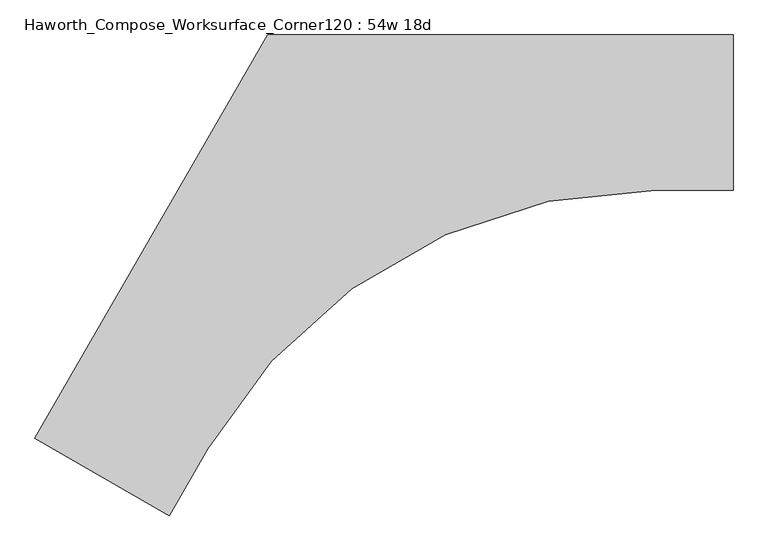
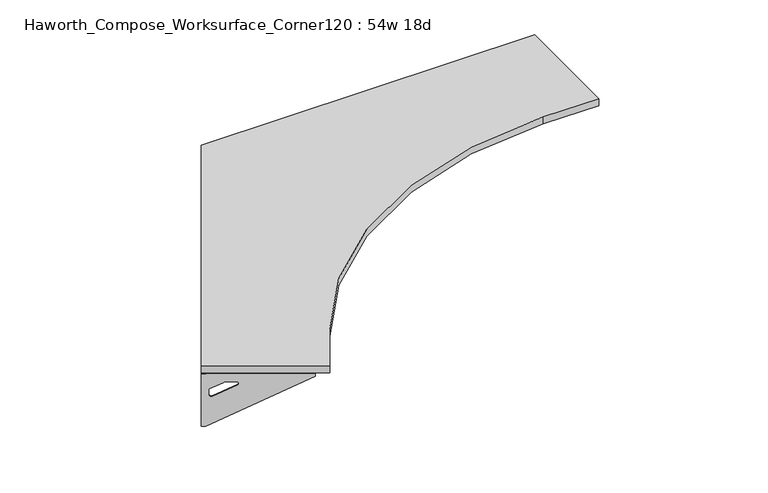
"""IFC4 building model written with IfcOpenShell, lengths in millimetres: furniture geometry, Haworth_Compose_Worksurface_Corner120 : 54w 18d."""

from ifc_helpers import new_model, si_unit, point, frame, frame_2d, origin, place, context, project, spatial, polyline, circle_curve, trimmed, segment, composite_curve, outline, extrude, source, transform, mapped, element, save
from ifc_brep_helpers import plane_surface, revolved_surface, advanced_brep


def haworth_compose_worksurface_corner120_54w_18d_a9862cec(model_context):
    return source(origin(), model_context, "Body", "SolidModel", [
        advanced_brep(
        [(607.21875, 304.8, 473.86875), (607.21875, 288.925, 473.86875), (607.21875, -101.6, 690.1317568), (607.21875, -101.6, 702.46875), (607.21875, 288.925, 702.46875), (607.21875, 304.8, 702.46875), (607.21875, 221.490072, 664.36875), (607.21875, 177.8355284, 664.36875), (607.21875, 175.1564235, 654.7830539), (607.21875, 266.8776173, 603.9901439), (607.21875, 276.225, 609.5881969), (607.21875, 276.225, 633.0985246), (607.21875, 274.4730055, 635.9367776), (607.21875, 224.5663437, 663.5738425), (609.6, 304.8, 473.86875), (609.6, 304.8, 702.46875), (609.6, 288.925, 702.46875), (609.6, 288.925, 704.85), (609.6, -101.6, 704.85), (609.6, -101.6, 690.1317568), (609.6, 288.925, 473.86875), (609.6, 221.490072, 664.36875), (609.6, 224.5663437, 663.5738425), (609.6, 274.4730055, 635.9367776), (609.6, 276.225, 633.0985246), (609.6, 276.225, 609.5881969), (609.6, 266.8776173, 603.9901439), (609.6, 175.1564235, 654.7830539), (609.6, 177.8355284, 664.36875), (568.325, -101.6, 704.85), (568.325, -101.6, 702.46875), (568.325, 288.925, 702.46875), (568.325, 288.925, 704.85)],
        [
            (0, 1),
            (1, 2),
            (2, 3),
            (3, 4),
            (4, 5),
            (5, 0),
            (6, 7),
            (7, 8, circle_curve(frame((607.21875, 177.8355284, 659.2015106), z_axis=(1.0, 0.0, 0.0), x_axis=(0.0, -1.0, 0.0)), 5.1672394)),
            (8, 9),
            (9, 10, circle_curve(frame((607.21875, 269.875, 609.5881969), z_axis=(1.0, 0.0, 0.0), x_axis=(0.0, -1.0, 0.0)), 6.35)),
            (10, 11),
            (11, 12, circle_curve(frame((607.21875, 273.05, 633.0985246), z_axis=(1.0, 0.0, 0.0), x_axis=(0.0, -1.0, 0.0)), 3.175)),
            (12, 13),
            (13, 6, circle_curve(frame((607.21875, 221.490072, 658.01875), z_axis=(1.0, 0.0, 0.0), x_axis=(0.0, -1.0, 0.0)), 6.35)),
            (14, 15),
            (15, 16),
            (16, 17),
            (17, 18),
            (18, 19),
            (19, 20),
            (20, 14),
            (21, 22, circle_curve(frame((609.6, 221.490072, 658.01875), z_axis=(-1.0, 0.0, 0.0), x_axis=(0.0, -1.0, 0.0)), 6.35)),
            (22, 23),
            (23, 24, circle_curve(frame((609.6, 273.05, 633.0985246), z_axis=(-1.0, 0.0, 0.0), x_axis=(0.0, -1.0, 0.0)), 3.175)),
            (24, 25),
            (25, 26, circle_curve(frame((609.6, 269.875, 609.5881969), z_axis=(-1.0, 0.0, 0.0), x_axis=(0.0, -1.0, 0.0)), 6.35)),
            (26, 27),
            (27, 28, circle_curve(frame((609.6, 177.8355284, 659.2015106), z_axis=(-1.0, 0.0, 0.0), x_axis=(0.0, -1.0, 0.0)), 5.1672394)),
            (28, 21),
            (4, 16),
            (15, 5),
            (14, 0),
            (20, 1),
            (19, 2),
            (18, 29),
            (29, 30),
            (30, 3),
            (6, 21),
            (28, 7),
            (9, 26),
            (25, 10),
            (24, 11),
            (23, 12),
            (27, 8),
            (31, 4),
            (30, 31),
            (32, 29),
            (17, 32),
            (31, 32),
            (22, 13),
        ],
        [
            plane_surface(frame((607.21875, 304.8, 473.86875), z_axis=(-1.0, 0.0, 0.0), x_axis=(0.0, 1.0, 0.0))),
            plane_surface(frame((609.6, 304.8, 473.86875), z_axis=(1.0, 0.0, 0.0), x_axis=(0.0, -1.0, 0.0))),
            plane_surface(frame((609.6, -101.6, 702.46875), z_axis=(0.0, 0.0, 1.0), x_axis=(-1.0, 0.0, 0.0))),
            plane_surface(frame((609.6, 304.8, 702.46875), z_axis=(0.0, 1.0, 0.0), x_axis=(-1.0, 0.0, 0.0))),
            plane_surface(frame((609.6, 304.8, 473.86875), z_axis=(0.0, 0.0, -1.0), x_axis=(-1.0, 0.0, 0.0))),
            plane_surface(frame((609.6, 288.925, 473.86875), z_axis=(0.0, -0.4844522351345575, -0.8748177135112957), x_axis=(-1.0, 0.0, 0.0))),
            plane_surface(frame((609.6, -101.6, 690.1317568), z_axis=(0.0, -1.0, 0.0), x_axis=(-1.0, 0.0, 0.0))),
            plane_surface(frame((609.6, 221.490072, 664.36875), z_axis=(0.0, 0.0, -1.0), x_axis=(-1.0, 0.0, 0.0))),
            revolved_surface(polyline([(607.21875, 263.525, 609.5881969), (609.6, 263.525, 609.5881969)]), (609.6, 269.875, 609.5881969), (-1.0, 0.0, 0.0)),
            plane_surface(frame((609.6, 276.225, 609.5881969), z_axis=(0.0, -1.0, 0.0), x_axis=(-1.0, 0.0, 0.0))),
            revolved_surface(polyline([(607.21875, 269.875, 633.0985246), (609.6, 269.875, 633.0985246)]), (609.6, 273.05, 633.0985246), (-1.0, 0.0, 0.0)),
            revolved_surface(polyline([(607.21875, 172.668289, 659.2015106), (609.6, 172.668289, 659.2015106)]), (609.6, 177.8355284, 659.2015106), (-1.0, 0.0, 0.0)),
            plane_surface(frame((609.6, 288.925, 702.46875), z_axis=(0.0, 0.0, -1.0), x_axis=(-1.0, 0.0, 0.0))),
            plane_surface(frame((609.6, 288.925, 704.85), z_axis=(0.0, 0.0, 1.0), x_axis=(1.0, 0.0, 0.0))),
            plane_surface(frame((568.325, 288.925, 704.85), z_axis=(0.0, 1.0, 0.0), x_axis=(0.0, 0.0, -1.0))),
            plane_surface(frame((568.325, -101.6, 704.85), z_axis=(-1.0, 0.0, 0.0), x_axis=(0.0, 0.0, -1.0))),
            plane_surface(frame((609.6, 175.1564235, 654.7830539), z_axis=(0.0, 0.4844522351341526, 0.8748177135115199), x_axis=(-1.0, 0.0, 0.0))),
            plane_surface(frame((609.6, 274.4730055, 635.9367776), z_axis=(0.0, -0.48445223513456226, -0.874817713511293), x_axis=(-1.0, 0.0, 0.0))),
            revolved_surface(polyline([(607.21875, 215.140072, 658.01875), (609.6, 215.140072, 658.01875)]), (609.6, 221.490072, 658.01875), (-1.0, 0.0, 0.0)),
        ],
        [
            (0, [[1, 2, 3, 4, 5, 6], [7, 8, 9, 10, 11, 12, 13, 14]]),
            (1, [[15, 16, 17, 18, 19, 20, 21], [22, 23, 24, 25, 26, 27, 28, 29]]),
            (2, [[-5, 30, -16, 31]]),
            (3, [[-31, -15, 32, -6]]),
            (4, [[-32, -21, 33, -1]]),
            (5, [[-33, -20, 34, -2]]),
            (6, [[-34, -19, 35, 36, 37, -3]]),
            (7, [[38, -29, 39, -7]]),
            (8, [[40, -26, 41, -10]]),
            (9, [[-41, -25, 42, -11]]),
            (10, [[-42, -24, 43, -12]]),
            (11, [[-39, -28, 44, -8]]),
            (12, [[45, -4, -37, 46]]),
            (13, [[47, -35, -18, 48]]),
            (14, [[-17, -30, -45, 49, -48]]),
            (15, [[-36, -47, -49, -46]]),
            (16, [[-44, -27, -40, -9]]),
            (17, [[-43, -23, 50, -13]]),
            (18, [[-50, -22, -38, -14]]),
        ],
    ),
        advanced_brep(
        [(-1446.609375, -880.9782208, 473.86875), (-1446.609375, -880.9782208, 702.46875), (-1432.8612217, -888.9157208, 702.46875), (-1094.6566509, -1084.1782208, 702.46875), (-1094.6566509, -1084.1782208, 690.1317568), (-1432.8612217, -888.9157208, 473.86875), (-1374.460861, -922.6331848, 664.36875), (-1377.1249904, -921.095049, 663.5738425), (-1420.3454274, -896.1417181, 635.9367776), (-1421.8626991, -895.2657208, 633.0985246), (-1421.8626991, -895.2657208, 609.5881969), (-1413.7676282, -899.9394122, 603.9901439), (-1334.3347443, -945.8000091, 654.7830539), (-1336.6549172, -944.4604566, 664.36875), (-1447.8, -883.0404438, 473.86875), (-1434.0518467, -890.9779438, 473.86875), (-1095.8472759, -1086.2404438, 690.1317568), (-1095.8472759, -1086.2404438, 704.85), (-1434.0518467, -890.9779438, 704.85), (-1434.0518467, -890.9779438, 702.46875), (-1447.8, -883.0404438, 702.46875), (-1375.651486, -924.6954078, 664.36875), (-1337.8455422, -946.5226796, 664.36875), (-1335.5253693, -947.8622321, 654.7830539), (-1414.9582532, -902.0016352, 603.9901439), (-1423.0533241, -897.3279438, 609.5881969), (-1423.0533241, -897.3279438, 633.0985246), (-1421.5360524, -898.2039411, 635.9367776), (-1378.3156154, -923.157272, 663.5738425), (-1075.2097759, -1050.4952453, 702.46875), (-1075.2097759, -1050.4952453, 704.85), (-1413.4143467, -855.2327453, 702.46875), (-1413.4143467, -855.2327453, 704.85)],
        [
            (0, 1),
            (1, 2),
            (2, 3),
            (3, 4),
            (4, 5),
            (5, 0),
            (6, 7, circle_curve(frame((-1374.460861, -922.6331848, 658.01875), z_axis=(-0.5000000000000026, -0.8660254037844374, 0.0), x_axis=(0.8660254037844372, -0.5000000000000024, 0.0)), 6.35)),
            (7, 8),
            (8, 9, circle_curve(frame((-1419.1130684, -896.8532208, 633.0985246), z_axis=(-0.5000000000000026, -0.8660254037844374, 0.0), x_axis=(0.8660254037844372, -0.5000000000000024, 0.0)), 3.175)),
            (9, 10),
            (10, 11, circle_curve(frame((-1416.3634378, -898.4407208, 609.5881969), z_axis=(-0.5000000000000026, -0.8660254037844374, 0.0), x_axis=(0.8660254037844372, -0.5000000000000024, 0.0)), 6.35)),
            (11, 12),
            (12, 13, circle_curve(frame((-1336.6549172, -944.4604566, 659.2015106), z_axis=(-0.5000000000000026, -0.8660254037844374, 0.0), x_axis=(0.8660254037844372, -0.5000000000000024, 0.0)), 5.1672394)),
            (13, 6),
            (14, 15),
            (15, 16),
            (16, 17),
            (17, 18),
            (18, 19),
            (19, 20),
            (20, 14),
            (21, 22),
            (22, 23, circle_curve(frame((-1337.8455422, -946.5226796, 659.2015106), z_axis=(0.5000000000000026, 0.8660254037844374, 0.0), x_axis=(0.8660254037844372, -0.5000000000000024, 0.0)), 5.1672394)),
            (23, 24),
            (24, 25, circle_curve(frame((-1417.5540628, -900.5029438, 609.5881969), z_axis=(0.5000000000000026, 0.8660254037844374, 0.0), x_axis=(0.8660254037844372, -0.5000000000000024, 0.0)), 6.35)),
            (25, 26),
            (26, 27, circle_curve(frame((-1420.3036934, -898.9154438, 633.0985246), z_axis=(0.5000000000000026, 0.8660254037844374, 0.0), x_axis=(0.8660254037844372, -0.5000000000000024, 0.0)), 3.175)),
            (27, 28),
            (28, 21, circle_curve(frame((-1375.651486, -924.6954078, 658.01875), z_axis=(0.5000000000000026, 0.8660254037844374, 0.0), x_axis=(0.8660254037844372, -0.5000000000000024, 0.0)), 6.35)),
            (1, 20),
            (19, 2),
            (0, 14),
            (5, 15),
            (4, 16),
            (3, 29),
            (29, 30),
            (30, 17),
            (13, 22),
            (21, 6),
            (10, 25),
            (24, 11),
            (9, 26),
            (8, 27),
            (12, 23),
            (31, 29),
            (2, 31),
            (32, 18),
            (30, 32),
            (32, 31),
            (7, 28),
        ],
        [
            plane_surface(frame((-1446.609375, -880.9782208, 473.86875), z_axis=(0.5000000000000026, 0.8660254037844373, 0.0), x_axis=(-0.8660254037844373, 0.5000000000000026, 0.0))),
            plane_surface(frame((-1447.8, -883.0404438, 473.86875), z_axis=(-0.5000000000000026, -0.8660254037844373, 0.0), x_axis=(0.8660254037844373, -0.5000000000000026, 0.0))),
            plane_surface(frame((-1095.8472759, -1086.2404438, 702.46875), z_axis=(0.0, 0.0, 1.0), x_axis=(0.5000000000000011, 0.866025403784438, 0.0))),
            plane_surface(frame((-1447.8, -883.0404438, 702.46875), z_axis=(-0.866025403784438, 0.5000000000000011, 0.0), x_axis=(0.5000000000000011, 0.866025403784438, 0.0))),
            plane_surface(frame((-1447.8, -883.0404438, 473.86875), z_axis=(0.0, 0.0, -1.0), x_axis=(0.5000000000000011, 0.866025403784438, 0.0))),
            plane_surface(frame((-1434.0518467, -890.9779438, 473.86875), z_axis=(0.41954794254667943, -0.24222611756727808, -0.8748177135112957), x_axis=(0.5000000000000011, 0.866025403784438, 0.0))),
            plane_surface(frame((-1095.8472759, -1086.2404438, 690.1317568), z_axis=(0.866025403784438, -0.5000000000000011, 0.0), x_axis=(0.5000000000000011, 0.866025403784438, 0.0))),
            plane_surface(frame((-1375.651486, -924.6954078, 664.36875), z_axis=(0.0, 0.0, -1.0), x_axis=(0.5000000000000011, 0.866025403784438, 0.0))),
            revolved_surface(polyline([(-1410.864176479327, -901.615720795734, 609.5881969), (-1412.0548014983856, -903.6779438215062, 609.5881969)]), (-1417.5540628, -900.5029438, 609.5881969), (0.5000000000000024, 0.8660254037844372, 0.0)),
            plane_surface(frame((-1423.0533241, -897.3279438, 609.5881969), z_axis=(0.866025403784438, -0.5000000000000011, 0.0), x_axis=(0.5000000000000011, 0.866025403784438, 0.0))),
            revolved_surface(polyline([(-1416.36343773985, -898.4407208018096, 633.0985246), (-1417.5540627864536, -900.5029438752912, 633.0985246)]), (-1420.3036934, -898.9154438, 633.0985246), (0.5000000000000024, 0.8660254037844372, 0.0)),
            revolved_surface(polyline([(-1332.17995660903, -947.0440763018096, 659.2015106), (-1333.3705816345157, -949.1062993387139, 659.2015106)]), (-1337.8455422, -946.5226796, 659.2015106), (0.5000000000000024, 0.8660254037844372, 0.0)),
            plane_surface(frame((-1434.0518467, -890.9779438, 702.46875), z_axis=(0.0, 0.0, -1.0), x_axis=(0.5000000000000011, 0.866025403784438, 0.0))),
            plane_surface(frame((-1434.0518467, -890.9779438, 704.85), z_axis=(0.0, 0.0, 1.0), x_axis=(-0.5000000000000011, -0.866025403784438, 0.0))),
            plane_surface(frame((-1413.4143467, -855.2327453, 704.85), z_axis=(-0.866025403784438, 0.5000000000000011, 0.0), x_axis=(0.0, 0.0, -1.0))),
            plane_surface(frame((-1075.2097759, -1050.4952453, 704.85), z_axis=(0.5000000000000011, 0.866025403784438, 0.0), x_axis=(0.0, 0.0, -1.0))),
            plane_surface(frame((-1335.5253693, -947.8622321, 654.7830539), z_axis=(-0.41954794254632877, 0.24222611756707563, 0.87481771351152), x_axis=(0.5000000000000011, 0.866025403784438, 0.0))),
            plane_surface(frame((-1421.5360524, -898.2039411, 635.9367776), z_axis=(0.4195479425466836, -0.24222611756728046, -0.874817713511293), x_axis=(0.5000000000000011, 0.866025403784438, 0.0))),
            revolved_surface(polyline([(-1368.9615996828345, -925.8081848018096, 658.01875), (-1370.1522246973336, -927.8704078196846, 658.01875)]), (-1375.651486, -924.6954078, 658.01875), (0.5000000000000024, 0.8660254037844372, 0.0)),
        ],
        [
            (0, [[1, 2, 3, 4, 5, 6], [7, 8, 9, 10, 11, 12, 13, 14]]),
            (1, [[15, 16, 17, 18, 19, 20, 21], [22, 23, 24, 25, 26, 27, 28, 29]]),
            (2, [[30, -20, 31, -2]]),
            (3, [[-1, 32, -21, -30]]),
            (4, [[-6, 33, -15, -32]]),
            (5, [[-5, 34, -16, -33]]),
            (6, [[-4, 35, 36, 37, -17, -34]]),
            (7, [[-14, 38, -22, 39]]),
            (8, [[-11, 40, -25, 41]]),
            (9, [[-10, 42, -26, -40]]),
            (10, [[-9, 43, -27, -42]]),
            (11, [[-13, 44, -23, -38]]),
            (12, [[45, -35, -3, 46]]),
            (13, [[47, -18, -37, 48]]),
            (14, [[-47, 49, -46, -31, -19]]),
            (15, [[-45, -49, -48, -36]]),
            (16, [[-12, -41, -24, -44]]),
            (17, [[-8, 50, -28, -43]]),
            (18, [[-7, -39, -29, -50]]),
        ],
    ),
        extrude(outline(composite_curve([segment(polyline([(-1447.8, -883.0404438), (-762.0, 304.8), (609.6, 304.8), (609.6, -152.4), (381.8463533, -152.4)]), True, "CONTINUOUS"), segment(trimmed(circle_curve(frame_2d((381.8463533, -1676.4)), 1524.0), [point((381.8463533, -152.4))], [point((-937.976362, -914.4))], True, "CARTESIAN"), True, "CONTINUOUS"), segment(polyline([(-937.976362, -914.4), (-1051.8531854, -1111.6404438), (-1447.8, -883.0404438)]), True, "CONTINUOUS")], self_intersect=False)), frame((0.0, 0.0, 706.4375), z_axis=(0.0, 0.0, 1.0), x_axis=(1.0, 0.0, 0.0)), (0.0, 0.0, 1.0), 30.1625),
    ])


if __name__ == "__main__":
    model = new_model("IFC4")
    model_context = context("Model", 3, world=origin())
    ifc_project = project(units=[si_unit("LENGTHUNIT", "METRE", prefix="MILLI")], contexts=[model_context])
    site = spatial("IfcSite", under=ifc_project)
    building = spatial("IfcBuilding", under=site)
    placement = place(None, origin())
    haworth_compose_worksurface_corner120_54w_18d_shape = haworth_compose_worksurface_corner120_54w_18d_a9862cec(model_context)
    element("IfcFurniture", 1, ObjectType="Haworth_Compose_Worksurface_Corner120 : 54w 18d", at=placement, inside=building, context=model_context, shape_type="MappedRepresentation", body=[
        mapped(haworth_compose_worksurface_corner120_54w_18d_shape, transform((0.0, 0.0, 0.0), x_axis=(1.0, 0.0, 0.0), y_axis=(0.0, 1.0, 0.0), z_axis=(0.0, 0.0, 1.0))),
    ])
    save(model, "model.ifc")
